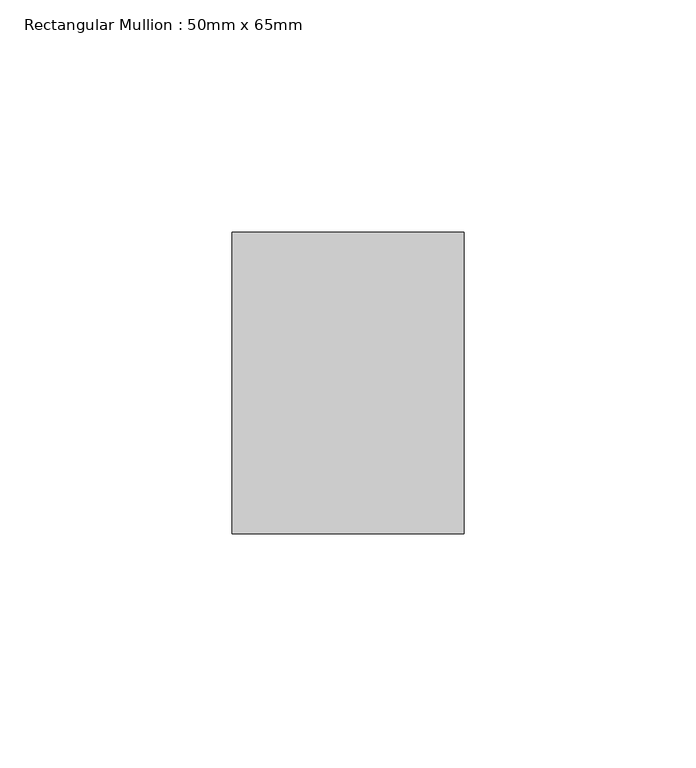
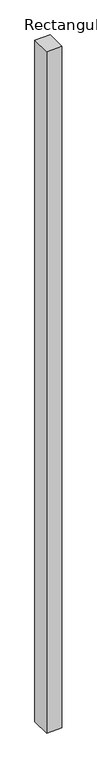
"""IFC4 building model written with IfcOpenShell, lengths in millimetres: member geometry, Rectangular Mullion : 50mm x 65mm."""

import ifcopenshell
import ifcopenshell.guid

model = None  # the IFC model being written
_history = None  # IfcOwnerHistory: only IFC2X3 demands one
_inside = {}  # id of a spatial element -> (the spatial element, [elements in it])
_under = {}  # id of a project, library or spatial element -> (it, [spatial elements below it])
_declared = {}  # id of a project -> (the project, [libraries it declares])
_typed = {}  # id of a type object -> (the type object, [elements of that type])
_made_of = {}  # id of a material, layer set ... -> (it, [elements and type objects made of it])


def new_model(schema):
    """Start an empty IFC model of exactly this schema.

    Asked for "IFC4X3", IfcOpenShell would pick the latest addendum, in which some entities
    have other attributes; the version numbers below select the first issue.
    IFC2X3 requires an IfcOwnerHistory on every rooted entity: one is made here for all.
    """
    global model, _history
    if schema == "IFC4X3":
        model = ifcopenshell.file(schema_version=(4, 3, 0, 0))
    else:
        model = ifcopenshell.file(schema=schema)
    _inside.clear()
    _under.clear()
    _declared.clear()
    _typed.clear()
    _made_of.clear()
    _history = None
    if model.schema == "IFC2X3":
        org = make("IfcOrganization", Name="unknown")
        user = make(
            "IfcPersonAndOrganization",
            ThePerson=make("IfcPerson", FamilyName="unknown"),
            TheOrganization=org,
        )
        app = make(
            "IfcApplication",
            ApplicationDeveloper=org,
            Version="unknown",
            ApplicationFullName="unknown",
            ApplicationIdentifier="unknown",
        )
        _history = make(
            "IfcOwnerHistory",
            OwningUser=user,
            OwningApplication=app,
            ChangeAction="ADDED",
            CreationDate=0,
        )
    return model


def make(cls, **values):
    """One entity of the class cls with the attributes given. An attribute that is None is left unset."""
    return model.create_entity(
        cls, **{name: value for name, value in values.items() if value is not None}
    )


def rooted(cls, **values):
    """An entity with a GlobalId (a new one), such as an element, a storey or a relation."""
    return make(cls, GlobalId=ifcopenshell.guid.new(), OwnerHistory=_history, **values)


def si_unit(unit_type, name, prefix=None):
    """IfcSIUnit, for example si_unit("LENGTHUNIT", "METRE", prefix="MILLI")."""
    return make("IfcSIUnit", UnitType=unit_type, Prefix=prefix, Name=name)


def assignment(units):
    """IfcUnitAssignment: the units of a project."""
    return None if units is None else make("IfcUnitAssignment", Units=units)


def point(xyz):
    """IfcCartesianPoint."""
    return None if xyz is None else make("IfcCartesianPoint", Coordinates=xyz)


def direction(xyz):
    """IfcDirection."""
    return None if xyz is None else make("IfcDirection", DirectionRatios=xyz)


def frame(location, z_axis=None, x_axis=None):
    """IfcAxis2Placement3D, a coordinate frame: its origin and axes. An axis left out is left unset."""
    return make(
        "IfcAxis2Placement3D",
        Location=point(location),
        Axis=direction(z_axis),
        RefDirection=direction(x_axis),
    )


def origin():
    """The frame at (0, 0, 0) with its axes left unset."""
    return frame((0.0, 0.0, 0.0))


def place(relative_to, where):
    """IfcLocalPlacement: puts the frame where relative to a parent placement (None: the world)."""
    return make(
        "IfcLocalPlacement", PlacementRelTo=relative_to, RelativePlacement=where
    )


def context(
    kind, dimensions, precision=None, world=None, true_north=None, identifier=None
):
    """IfcGeometricRepresentationContext, for example the 3D "Model" context."""
    return make(
        "IfcGeometricRepresentationContext",
        ContextIdentifier=identifier,
        ContextType=kind,
        CoordinateSpaceDimension=dimensions,
        Precision=precision,
        WorldCoordinateSystem=world,
        TrueNorth=true_north,
    )


def project(units=None, contexts=None):
    """IfcProject with its units and contexts."""
    return rooted(
        "IfcProject",
        Name="project",
        RepresentationContexts=contexts,
        UnitsInContext=assignment(units),
    )


def spatial(cls, under=None, at=None, **own):
    """A site, building, storey or space (cls), placed at a placement, below another one or the project."""
    s = rooted(cls, ObjectPlacement=at, **own)
    if under is not None:
        _under.setdefault(under.id(), (under, []))[1].append(s)
    return s


def polyline(points):
    """IfcPolyline through the points."""
    return make("IfcPolyline", Points=[point(p) for p in points])


def outline(outer, holes=None, kind="AREA"):
    """IfcArbitraryClosedProfileDef: a profile drawn as a closed curve; with holes, ...WithVoids."""
    if holes is None:
        return make("IfcArbitraryClosedProfileDef", ProfileType=kind, OuterCurve=outer)
    return make(
        "IfcArbitraryProfileDefWithVoids",
        ProfileType=kind,
        OuterCurve=outer,
        InnerCurves=holes,
    )


def extrude(swept, where, along, depth):
    """IfcExtrudedAreaSolid: the profile swept, set in the frame where, extruded along a direction by depth."""
    return make(
        "IfcExtrudedAreaSolid",
        SweptArea=swept,
        Position=where,
        ExtrudedDirection=direction(along),
        Depth=depth,
    )


def shape(context_of_items, identifier, shape_type, items):
    """IfcShapeRepresentation: the items that make up one representation, for example the "Body"."""
    return make(
        "IfcShapeRepresentation",
        ContextOfItems=context_of_items,
        RepresentationIdentifier=identifier,
        RepresentationType=shape_type,
        Items=items,
    )


def source(mapping_origin, context_of_items, identifier, shape_type, items):
    """IfcRepresentationMap: a shape defined once, which mapped items show again and again."""
    return make(
        "IfcRepresentationMap",
        MappingOrigin=mapping_origin,
        MappedRepresentation=shape(context_of_items, identifier, shape_type, items),
    )


def transform(
    local_origin,
    x_axis=None,
    y_axis=None,
    z_axis=None,
    scale=None,
    scale2=None,
    scale3=None,
    uniform=True,
):
    """IfcCartesianTransformationOperator3D, or its non-uniform kind. x_axis, y_axis, z_axis: its Axis1, 2, 3."""
    if uniform:
        return make(
            "IfcCartesianTransformationOperator3D",
            Axis1=direction(x_axis),
            Axis2=direction(y_axis),
            LocalOrigin=point(local_origin),
            Scale=scale,
            Axis3=direction(z_axis),
        )
    return make(
        "IfcCartesianTransformationOperator3DnonUniform",
        Axis1=direction(x_axis),
        Axis2=direction(y_axis),
        LocalOrigin=point(local_origin),
        Scale=scale,
        Axis3=direction(z_axis),
        Scale2=scale2,
        Scale3=scale3,
    )


def mapped(mapping_source, mapping_target):
    """IfcMappedItem: shows the shape of a source again, moved by a transform."""
    return make(
        "IfcMappedItem", MappingSource=mapping_source, MappingTarget=mapping_target
    )


def made_of(thing, what):
    """Note that an element or type object is made of a material, layer set ...; save() writes the relation."""
    if what is not None:
        _made_of.setdefault(what.id(), (what, []))[1].append(thing)
    return thing


def element(
    cls,
    number,
    at=None,
    inside=None,
    cuts=None,
    type_object=None,
    material=None,
    context=None,
    identifier="Body",
    shape_type=None,
    held_by="IfcProductDefinitionShape",
    body=None,
    shapes=None,
    **own,
):
    """One element of the class cls, such as IfcWall. Its Tag is "e" and its number.

    at: its placement. inside: the storey or other place that contains it. cuts: it is an
    opening in that element (IfcRelVoidsElement). A single representation is given by context,
    identifier, shape_type and body (its items); several are given by shapes. held_by: the class
    of the entity that holds the representations. save() writes the other relations.
    """
    e = rooted(cls, Tag="e%d" % number, ObjectPlacement=at, **own)
    if body is not None:
        shapes = [shape(context, identifier, shape_type, body)]
    if shapes is not None:
        e.Representation = make(held_by, Representations=shapes)
    if inside is not None:
        _inside.setdefault(inside.id(), (inside, []))[1].append(e)
    if cuts is not None:
        rooted(
            "IfcRelVoidsElement", RelatingBuildingElement=cuts, RelatedOpeningElement=e
        )
    if type_object is not None:
        _typed.setdefault(type_object.id(), (type_object, []))[1].append(e)
    return made_of(e, material)


def aggregate(whole, parts):
    """IfcRelAggregates: a whole, such as a stair, and the parts it consists of."""
    return rooted("IfcRelAggregates", RelatingObject=whole, RelatedObjects=parts)


def save(model, path):
    """Write the relations noted so far, then the file.

    IfcRelAggregates (storeys below a building ...), IfcRelContainedInSpatialStructure (elements
    in a storey), IfcRelDefinesByType, IfcRelAssociatesMaterial and IfcRelDeclares: one each for
    every whole, place, type object, material and project.
    """
    for whole, parts in _under.values():
        aggregate(whole, parts)
    for where, things in _inside.values():
        rooted(
            "IfcRelContainedInSpatialStructure",
            RelatedElements=things,
            RelatingStructure=where,
        )
    for kind, things in _typed.values():
        rooted("IfcRelDefinesByType", RelatedObjects=things, RelatingType=kind)
    for what, things in _made_of.values():
        rooted("IfcRelAssociatesMaterial", RelatedObjects=things, RelatingMaterial=what)
    for by, libraries in _declared.values():
        rooted("IfcRelDeclares", RelatingContext=by, RelatedDefinitions=libraries)
    model.write(path)


def rectangular_mullion_50mm_x_65mm_1f4f065d(model_context):
    return source(origin(), model_context, "Body", "SweptSolid", [
        extrude(outline(polyline([(25.0, 32.5), (25.0, -32.5), (-25.0, -32.5), (-25.0, 32.5), (25.0, 32.5)])), frame((0.0, 0.0, -2332.1773786), z_axis=(0.0, 0.0, 1.0), x_axis=(1.0, 0.0, 0.0)), (0.0, 0.0, 1.0), 2332.1773786),
    ])


if __name__ == "__main__":
    model = new_model("IFC4")
    model_context = context("Model", 3, world=origin())
    ifc_project = project(units=[si_unit("LENGTHUNIT", "METRE", prefix="MILLI")], contexts=[model_context])
    site = spatial("IfcSite", under=ifc_project)
    building = spatial("IfcBuilding", under=site)
    placement = place(None, origin())
    rectangular_mullion_50mm_x_65mm_shape = rectangular_mullion_50mm_x_65mm_1f4f065d(model_context)
    element("IfcMember", 1, ObjectType="Rectangular Mullion : 50mm x 65mm", at=placement, inside=building, context=model_context, shape_type="MappedRepresentation", body=[
        mapped(rectangular_mullion_50mm_x_65mm_shape, transform((0.0, 0.0, 0.0), x_axis=(1.0, 0.0, 0.0), y_axis=(0.0, 1.0, 0.0), z_axis=(0.0, 0.0, 1.0))),
    ])
    save(model, "model.ifc")
